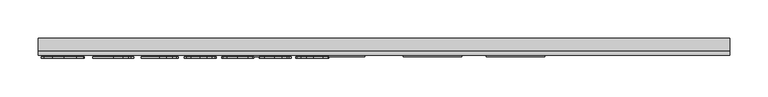
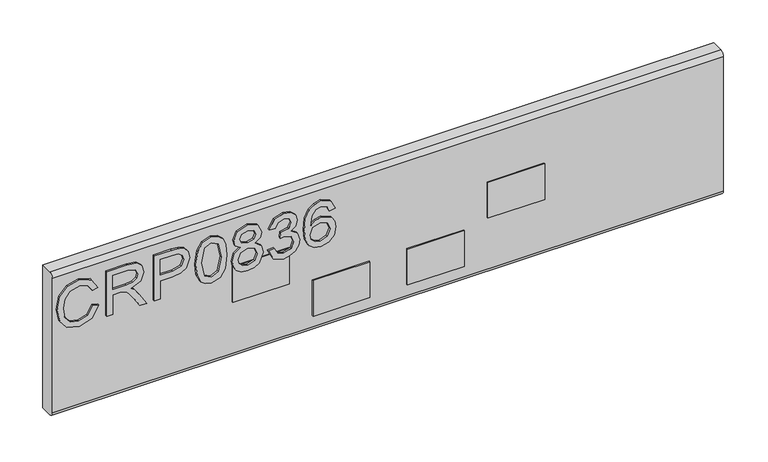
"""IFC4 building model written with IfcOpenShell, lengths in millimetres: furniture geometry."""

from ifc_helpers import new_model, si_unit, point, frame, frame_2d, origin, place, context, project, spatial, polyline, circle_curve, trimmed, segment, composite_curve, outline, extrude, source, transform, mapped, element, save


def furniture_8cc11dba(model_context):
    return source(origin(), model_context, "Body", "SweptSolid", [
        extrude(outline(polyline([(498.9252652, -802.6680206), (487.1827171, -809.4347807), (483.2270047, -821.636752), (486.1314943, -832.6395507), (494.907258, -840.1304865), (508.6432359, -842.5366187), (520.4947997, -840.5042546), (529.6521183, -833.4571684), (533.0627523, -820.9826579), (529.9869522, -810.2056774), (520.1833263, -803.6647356), (522.0833141, -795.6910159), (536.0684708, -804.7003847), (541.0364719, -820.6711844), (537.197562, -835.9956768), (525.9611582, -846.7337231), (508.6276623, -850.5103383), (491.5744924, -847.1697859), (479.4426026, -837.4362414), (475.253285, -820.8424948), (480.7897251, -804.1475194), (496.8695406, -794.694301), (498.9252652, -802.6680206)])), frame((0.0, 1146.9916162, 0.0), z_axis=(0.0, 1.0, 0.0), x_axis=(0.0, 0.0, 1.0)), (0.0, 0.0, 1.0), 2.38125),
        extrude(outline(polyline([(476.25, -783.7304365), (476.25, -775.7567169), (504.1580187, -775.7567169), (504.1580187, -766.1321881), (503.8776926, -761.5068078), (502.3592596, -757.7146189), (498.22445, -753.5019409), (489.4720468, -747.5060775), (476.25, -739.2053108), (476.25, -729.9389764), (493.536775, -740.5757938), (501.7440996, -747.0388673), (505.1547336, -751.5708056), (511.0883023, -738.2163826), (522.5816716, -733.8946889), (532.2295609, -736.5032788), (538.3188663, -743.4802835), (540.0397569, -756.242907), (540.0397569, -783.7304365), (476.25, -783.7304365)]), holes=[polyline([(512.1317383, -775.7567169), (532.0660373, -775.7567169), (532.0660373, -755.9002862), (529.3094975, -745.2401083), (522.2857719, -741.8684085), (516.8739211, -743.6360202), (513.2608294, -748.806479), (512.1317383, -757.9092898), (512.1317383, -775.7567169)])]), frame((0.0, 1146.9916162, 0.0), z_axis=(0.0, 1.0, 0.0), x_axis=(0.0, 0.0, 1.0)), (0.0, 0.0, 1.0), 2.38125),
        extrude(outline(polyline([(476.25, -719.9406796), (476.25, -711.96696), (502.1645888, -711.96696), (502.1645888, -695.7547683), (503.574006, -684.4268693), (507.8022577, -677.2298865), (521.5849567, -672.0983619), (530.282852, -673.9983497), (536.4500257, -679.0208587), (539.4323838, -686.7687601), (540.0397569, -696.2998468), (540.0397569, -719.9406796), (476.25, -719.9406796)]), holes=[polyline([(510.1383084, -711.96696), (532.0660373, -711.96696), (532.0660373, -695.4744422), (531.5209588, -687.5007226), (527.9078671, -682.1200192), (521.3046306, -680.0720815), (513.0661585, -683.5450101), (510.1383084, -695.2875582), (510.1383084, -711.96696)])]), frame((0.0, 1146.9916162, 0.0), z_axis=(0.0, 1.0, 0.0), x_axis=(0.0, 0.0, 1.0)), (0.0, 0.0, 1.0), 2.38125),
        extrude(outline(polyline([(507.6309473, -664.1246422), (492.1156775, -662.5361278), (481.3270168, -657.7705844), (476.771718, -651.4788213), (475.253285, -643.1936283), (478.7495742, -631.5211617), (489.3552443, -624.5830913), (507.6309473, -622.2626143), (522.6206058, -623.7109657), (532.0582505, -627.4486467), (537.9840324, -633.8805729), (540.0397569, -643.1936283), (536.5668283, -654.8193737), (525.9845188, -661.7808047), (507.6309473, -664.1246422)]), holes=[polyline([(507.646521, -656.1509226), (527.7988514, -652.2886522), (532.0660373, -643.2870703), (527.2226256, -633.8494256), (507.646521, -630.2363339), (487.8601718, -633.9740149), (483.2270047, -643.1936283), (487.8445982, -652.4132416), (507.646521, -656.1509226)])]), frame((0.0, 1146.9916162, 0.0), z_axis=(0.0, 1.0, 0.0), x_axis=(0.0, 0.0, 1.0)), (0.0, 0.0, 1.0), 2.38125),
        extrude(outline(polyline([(511.3842021, -603.6676509), (505.5907964, -612.2643174), (495.0318474, -615.2856096), (487.2742125, -613.845045), (480.9143145, -609.5233513), (476.6685424, -602.8500332), (475.253285, -594.3545956), (476.6627023, -585.859158), (480.890954, -579.1858399), (494.813816, -573.4235816), (505.1313731, -576.3280713), (511.3842021, -584.8079352), (516.313269, -577.7452753), (523.8275653, -575.4170115), (535.3209346, -580.649765), (540.0397569, -594.4636113), (535.4299503, -608.1528682), (524.0455967, -613.2921797), (516.3366295, -610.9327685), (511.3842021, -603.6676509)]), holes=[polyline([(523.8119916, -605.3184601), (529.6365446, -602.4451177), (532.0660373, -594.3545956), (529.5820368, -586.2874339), (523.4537972, -583.3907311), (517.5358022, -586.1939919), (515.1218831, -594.2611536), (517.5513758, -602.4918388), (523.8119916, -605.3184601)]), polyline([(495.3121735, -607.31189), (503.7686769, -603.9401902), (507.1481635, -594.5570533), (503.7219559, -584.9013772), (495.0629947, -581.3973012), (486.5675571, -584.7923615), (483.2270047, -594.2923009), (484.8155191, -601.2693056), (489.3085232, -605.9803411), (495.3121735, -607.31189)])]), frame((0.0, 1146.9916162, 0.0), z_axis=(0.0, 1.0, 0.0), x_axis=(0.0, 0.0, 1.0)), (0.0, 0.0, 1.0), 2.38125),
        extrude(outline(polyline([(493.1941542, -566.4465769), (480.2524335, -560.1080928), (475.253285, -546.1229361), (476.7172101, -537.6002446), (481.1089854, -530.689428), (487.6032063, -526.1107687), (495.3744681, -524.5845489), (505.7465331, -527.6369885), (511.197318, -536.327097), (516.4767925, -529.7861551), (523.8275653, -527.5746938), (531.8713664, -529.9029576), (537.8516562, -536.6307835), (540.0397569, -546.2475255), (535.6012607, -558.9244938), (523.0956028, -565.449862), (522.0988878, -557.4761424), (529.5742499, -553.5671509), (532.0660373, -545.9671994), (529.5976105, -538.4606899), (523.3603552, -535.5484134), (516.3210558, -539.5664206), (514.1251682, -549.8917645), (506.1514486, -550.7794638), (507.0235742, -545.1885158), (503.76089, -536.1246392), (495.5146312, -532.5582685), (486.762228, -536.1557866), (483.2270047, -545.84261), (485.7966604, -554.0732952), (494.1908691, -558.4728573), (493.1941542, -566.4465769)])), frame((0.0, 1146.9916162, 0.0), z_axis=(0.0, 1.0, 0.0), x_axis=(0.0, 0.0, 1.0)), (0.0, 0.0, 1.0), 2.38125),
        extrude(outline(polyline([(523.0956028, -476.7422312), (535.538966, -482.6290789), (540.0397569, -495.2281789), (538.2215308, -504.4828329), (532.7668525, -511.6272546), (521.9081103, -516.8600081), (506.0268592, -518.6042592), (491.9015395, -517.0332651), (482.4171738, -512.3202829), (477.0442572, -505.1155133), (475.253285, -496.0691571), (477.955317, -485.6192238), (485.7421526, -478.3774667), (496.7449512, -475.7455163), (504.9172351, -477.1432533), (511.4309231, -481.3364642), (517.115313, -494.8855581), (515.0362279, -503.5990271), (508.6743833, -510.6305396), (522.8853582, -508.3645704), (530.1349021, -502.9215724), (532.0660373, -495.7265363), (528.7488454, -487.737243), (522.0988878, -484.7159508), (523.0956028, -476.7422312)]), holes=[polyline([(496.8695406, -510.6305396), (505.75432, -506.6670403), (509.1415934, -497.019151), (505.75432, -487.2466724), (496.4801988, -483.7192359), (486.7933754, -487.2933934), (483.2270047, -496.6921039), (484.9478953, -503.8793532), (489.9626174, -508.7850596), (496.8695406, -510.6305396)])]), frame((0.0, 1146.9916162, 0.0), z_axis=(0.0, 1.0, 0.0), x_axis=(0.0, 0.0, 1.0)), (0.0, 0.0, 1.0), 2.38125),
        extrude(outline(polyline([(-270.2971981, 1150.9603662), (-194.0971981, 1150.9603662), (-194.0971981, 1149.3728662), (-270.2971981, 1149.3728662), (-270.2971981, 1150.9603662)])), frame((0.0, 0.0, 434.974997), z_axis=(0.0, 0.0, 1.0), x_axis=(1.0, 0.0, 0.0)), (0.0, 0.0, 1.0), 50.8000061),
        extrude(outline(polyline([(-613.1971981, 1150.9603662), (-536.9971981, 1150.9603662), (-536.9971981, 1149.3728662), (-613.1971981, 1149.3728662), (-613.1971981, 1150.9603662)])), frame((0.0, 0.0, 434.974997), z_axis=(0.0, 0.0, 1.0), x_axis=(1.0, 0.0, 0.0)), (0.0, 0.0, 1.0), 50.8000061),
        extrude(outline(polyline([(-505.2471921, 1150.9603662), (-429.0471921, 1150.9603662), (-429.0471921, 1149.3728662), (-505.2471921, 1149.3728662), (-505.2471921, 1150.9603662)])), frame((0.0, 0.0, 377.8249992), z_axis=(0.0, 0.0, 1.0), x_axis=(1.0, 0.0, 0.0)), (0.0, 0.0, 1.0), 50.7999992),
        extrude(outline(polyline([(-378.247186, 1150.9603662), (-302.047186, 1150.9603662), (-302.047186, 1149.3728662), (-378.247186, 1149.3728662), (-378.247186, 1150.9603662)])), frame((0.0, 0.0, 377.8249992), z_axis=(0.0, 0.0, 1.0), x_axis=(1.0, 0.0, 0.0)), (0.0, 0.0, 1.0), 50.7999992),
        extrude(outline(composite_curve([segment(trimmed(circle_curve(frame_2d((1156.9134912, 552.8468811)), 5.953125), [point((1150.9603662, 552.8468811))], [point((1156.9134912, 558.8000061))], False, "CARTESIAN"), True, "CONTINUOUS"), segment(polyline([(1156.9134912, 558.8000061), (1173.1853662, 558.8000061), (1173.1853662, 355.6), (1156.9134912, 355.6)]), True, "CONTINUOUS"), segment(trimmed(circle_curve(frame_2d((1156.9134912, 361.553125)), 5.953125), [point((1156.9134912, 355.6))], [point((1150.9603662, 361.553125))], False, "CARTESIAN"), True, "CONTINUOUS"), segment(polyline([(1150.9603662, 361.553125), (1150.9603662, 552.8468811)]), True, "CONTINUOUS")], self_intersect=False)), frame((-854.4971981, 0.0, 0.0), z_axis=(1.0, 0.0, 0.0), x_axis=(0.0, 1.0, 0.0)), (0.0, 0.0, 1.0), 901.7),
    ])


if __name__ == "__main__":
    model = new_model("IFC4")
    model_context = context("Model", 3, world=origin())
    ifc_project = project(units=[si_unit("LENGTHUNIT", "METRE", prefix="MILLI")], contexts=[model_context])
    site = spatial("IfcSite", under=ifc_project)
    building = spatial("IfcBuilding", under=site)
    placement = place(None, origin())
    furniture_shape = furniture_8cc11dba(model_context)
    element("IfcFurniture", 1, at=placement, inside=building, context=model_context, shape_type="MappedRepresentation", body=[
        mapped(furniture_shape, transform((0.0, 0.0, 0.0), x_axis=(1.0, 0.0, 0.0), y_axis=(0.0, 1.0, 0.0), z_axis=(0.0, 0.0, 1.0))),
    ])
    save(model, "model.ifc")
